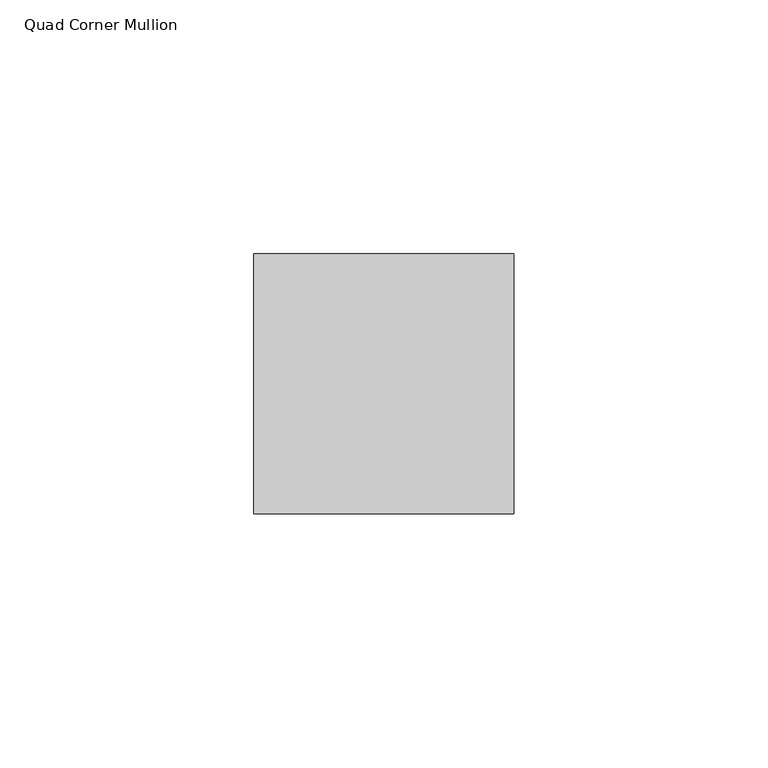
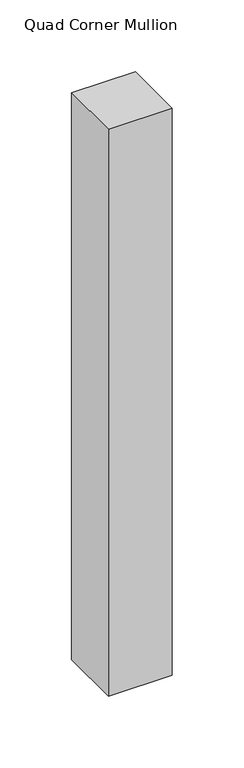
"""IFC4 building model written with IfcOpenShell, lengths in millimetres: member geometry, Quad Corner Mullion."""

from ifc_helpers import new_model, si_unit, frame, origin, place, context, project, spatial, polyline, outline, extrude, source, transform, mapped, element, save


def quad_corner_mullion_382e2045(model_context):
    return source(origin(), model_context, "Body", "SweptSolid", [
        extrude(outline(polyline([(12.7496094, -38.5464844), (-38.5464844, -38.5464844), (-38.5464844, 12.7496094), (12.7496094, 12.7496094), (12.7496094, -38.5464844)])), frame((0.0, 0.0, -482.1103332), z_axis=(0.0, 0.0, 1.0), x_axis=(1.0, 0.0, 0.0)), (0.0, 0.0, 1.0), 482.1103332),
    ])


if __name__ == "__main__":
    model = new_model("IFC4")
    model_context = context("Model", 3, world=origin())
    ifc_project = project(units=[si_unit("LENGTHUNIT", "METRE", prefix="MILLI")], contexts=[model_context])
    site = spatial("IfcSite", under=ifc_project)
    building = spatial("IfcBuilding", under=site)
    placement = place(None, origin())
    quad_corner_mullion_shape = quad_corner_mullion_382e2045(model_context)
    element("IfcMember", 1, ObjectType="Quad Corner Mullion", at=placement, inside=building, context=model_context, shape_type="MappedRepresentation", body=[
        mapped(quad_corner_mullion_shape, transform((0.0, 0.0, 0.0), x_axis=(1.0, 0.0, 0.0), y_axis=(0.0, 1.0, 0.0), z_axis=(0.0, 0.0, 1.0))),
    ])
    save(model, "model.ifc")
